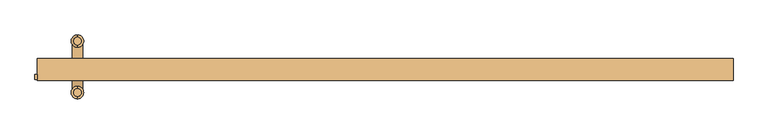
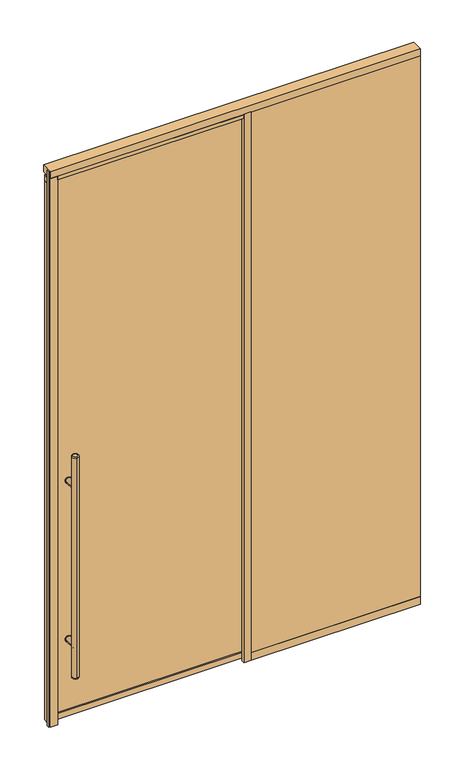
"""IFC4 building model written with IfcOpenShell, lengths in millimetres: door geometry."""

from ifc_helpers import new_model, si_unit, point, frame, frame_2d, origin, origin_with_axes, place, context, project, spatial, polyline, circle_curve, ellipse_curve, trimmed, segment, composite_curve, outline, extrude, source, transform, mapped, element, save
from ifc_brep_helpers import plane_surface, cylinder_surface, revolved_surface, advanced_brep


def door_ee4cfca6(model_context):
    return source(origin(), model_context, "Body", "SolidModel", [
        extrude(outline(composite_curve([segment(trimmed(circle_curve(frame_2d((428.625, -850.9)), 15.875), [point((428.625, -866.775))], [point((428.625, -835.025))], False, "CARTESIAN"), True, "CONTINUOUS"), segment(trimmed(circle_curve(frame_2d((428.625, -850.9)), 15.875), [point((428.625, -835.025))], [point((428.625, -866.775))], False, "CARTESIAN"), True, "CONTINUOUS")], self_intersect=False)), frame((0.0, 19.05, 0.0), z_axis=(0.0, 1.0, 0.0), x_axis=(0.0, 0.0, 1.0)), (0.0, 0.0, 1.0), 3.175),
        extrude(outline(composite_curve([segment(trimmed(circle_curve(frame_2d((1298.575, -850.9)), 15.875), [point((1298.575, -835.025))], [point((1298.575, -866.775))], False, "CARTESIAN"), True, "CONTINUOUS"), segment(trimmed(circle_curve(frame_2d((1298.575, -850.9)), 15.875), [point((1298.575, -866.775))], [point((1298.575, -835.025))], False, "CARTESIAN"), True, "CONTINUOUS")], self_intersect=False)), frame((0.0, 19.05, 0.0), z_axis=(0.0, 1.0, 0.0), x_axis=(0.0, 0.0, 1.0)), (0.0, 0.0, 1.0), 3.175),
        extrude(outline(composite_curve([segment(trimmed(circle_curve(frame_2d((428.625, -850.9)), 15.875), [point((428.625, -866.775))], [point((428.625, -835.025))], False, "CARTESIAN"), True, "CONTINUOUS"), segment(trimmed(circle_curve(frame_2d((428.625, -850.9)), 15.875), [point((428.625, -835.025))], [point((428.625, -866.775))], False, "CARTESIAN"), True, "CONTINUOUS")], self_intersect=False)), frame((0.0, 34.925, 0.0), z_axis=(0.0, 1.0, 0.0), x_axis=(0.0, 0.0, 1.0)), (0.0, 0.0, 1.0), 3.175),
        extrude(outline(composite_curve([segment(trimmed(circle_curve(frame_2d((1298.575, -850.9)), 15.875), [point((1298.575, -866.775))], [point((1298.575, -835.025))], False, "CARTESIAN"), True, "CONTINUOUS"), segment(trimmed(circle_curve(frame_2d((1298.575, -850.9)), 15.875), [point((1298.575, -835.025))], [point((1298.575, -866.775))], False, "CARTESIAN"), True, "CONTINUOUS")], self_intersect=False)), frame((0.0, 34.925, 0.0), z_axis=(0.0, 1.0, 0.0), x_axis=(0.0, 0.0, 1.0)), (0.0, 0.0, 1.0), 3.175),
        extrude(outline(composite_curve([segment(trimmed(circle_curve(frame_2d((428.625, -850.9)), 14.2875), [point((428.625, -836.6125))], [point((428.625, -865.1875))], False, "CARTESIAN"), True, "CONTINUOUS"), segment(trimmed(circle_curve(frame_2d((428.625, -850.9)), 14.2875), [point((428.625, -865.1875))], [point((428.625, -836.6125))], False, "CARTESIAN"), True, "CONTINUOUS")], self_intersect=False)), frame((0.0, 34.925, 0.0), z_axis=(0.0, 1.0, 0.0), x_axis=(0.0, 0.0, 1.0)), (0.0, 0.0, 1.0), 65.0875),
        extrude(outline(composite_curve([segment(trimmed(circle_curve(frame_2d((1298.575, -850.9)), 14.2875), [point((1298.575, -836.6125))], [point((1298.575, -865.1875))], False, "CARTESIAN"), True, "CONTINUOUS"), segment(trimmed(circle_curve(frame_2d((1298.575, -850.9)), 14.2875), [point((1298.575, -865.1875))], [point((1298.575, -836.6125))], False, "CARTESIAN"), True, "CONTINUOUS")], self_intersect=False)), frame((0.0, 34.925, 0.0), z_axis=(0.0, 1.0, 0.0), x_axis=(0.0, 0.0, 1.0)), (0.0, 0.0, 1.0), 65.0875),
        advanced_brep(
        [(-850.9, -32.0675, 1473.2), (-850.9, -53.6575, 1473.2), (-850.9, -53.6575, 254.0), (-850.9, -32.0675, 254.0), (-850.9, -60.0075, 260.35), (-850.9, -25.7175, 260.35), (-850.9, -25.7175, 1466.85), (-850.9, -60.0075, 1466.85)],
        [
            (0, 1, circle_curve(frame((-850.9, -42.8625, 1473.2), z_axis=(0.0, 0.0, 1.0), x_axis=(0.0, 1.0, 0.0)), 10.795)),
            (1, 0, circle_curve(frame((-850.9, -42.8625, 1473.2), z_axis=(0.0, 0.0, 1.0), x_axis=(0.0, 1.0, 0.0)), 10.795)),
            (2, 3, circle_curve(frame((-850.9, -42.8625, 254.0), z_axis=(0.0, 0.0, -1.0), x_axis=(0.0, 1.0, 0.0)), 10.795)),
            (3, 2, circle_curve(frame((-850.9, -42.8625, 254.0), z_axis=(0.0, 0.0, -1.0), x_axis=(0.0, 1.0, 0.0)), 10.795)),
            (4, 5, circle_curve(frame((-850.9, -42.8625, 260.35), z_axis=(0.0, 0.0, 1.0), x_axis=(0.0, 1.0, 0.0)), 17.145)),
            (5, 6),
            (6, 7, circle_curve(frame((-850.9, -42.8625, 1466.85), z_axis=(0.0, 0.0, -1.0), x_axis=(0.0, 1.0, 0.0)), 17.145)),
            (7, 4),
            (5, 4, circle_curve(frame((-850.9, -42.8625, 260.35), z_axis=(0.0, 0.0, 1.0), x_axis=(0.0, 1.0, 0.0)), 17.145)),
            (7, 6, circle_curve(frame((-850.9, -42.8625, 1466.85), z_axis=(0.0, 0.0, -1.0), x_axis=(0.0, 1.0, 0.0)), 17.145)),
            (2, 4, circle_curve(frame((-850.9, -53.6575, 260.35), z_axis=(-1.0, 0.0, 0.0), x_axis=(0.0, -1.0, 0.0)), 6.35)),
            (5, 3, circle_curve(frame((-850.9, -32.0675, 260.35), z_axis=(-1.0, 0.0, 0.0), x_axis=(0.0, 1.0, 0.0)), 6.35)),
            (7, 1, circle_curve(frame((-850.9, -53.6575, 1466.85), z_axis=(-1.0, 0.0, 0.0), x_axis=(0.0, -1.0, 0.0)), 6.35)),
            (0, 6, circle_curve(frame((-850.9, -32.0675, 1466.85), z_axis=(-1.0, 0.0, 0.0), x_axis=(0.0, 1.0, 0.0)), 6.35)),
        ],
        [
            plane_surface(frame((-850.9, 117.1575, 1473.2), z_axis=(0.0, 0.0, 1.0), x_axis=(-1.0, 0.0, 0.0))),
            plane_surface(frame((-850.9, 117.1575, 254.0), z_axis=(0.0, 0.0, -1.0), x_axis=(1.0, 0.0, 0.0))),
            cylinder_surface(frame((-850.9, -42.8625, 254.0), z_axis=(0.0, 0.0, 1.0), x_axis=(0.0, 1.0, 0.0)), 17.145),
            revolved_surface(trimmed(ellipse_curve(frame((-850.9, -32.0675, 260.35), z_axis=(1.0, 0.0, 0.0), x_axis=(0.0, 1.0, 0.0)), 6.35, 6.35), [point((-850.9, -32.0675, 254.0))], [point((-850.9, -25.7175, 260.35))], True, "CARTESIAN"), (-850.9, -42.8625, 2082.8), (0.0, 0.0, 1.0)),
            revolved_surface(trimmed(ellipse_curve(frame((-850.9, -32.0675, 1466.85), z_axis=(1.0, 0.0, 0.0), x_axis=(0.0, 1.0, 0.0)), 6.35, 6.35), [point((-850.9, -25.7175, 1466.85))], [point((-850.9, -32.0675, 1473.2))], True, "CARTESIAN"), (-850.9, -42.8625, -355.6), (0.0, 0.0, 1.0)),
        ],
        [
            (0, [[1, 2]]),
            (1, [[3, 4]]),
            (2, [[5, 6, 7, 8]]),
            (2, [[9, -8, 10, -6]]),
            (3, [[11, -9, 12, -3]]),
            (3, [[-11, -4, -12, -5]]),
            (4, [[13, -1, 14, -10]]),
            (4, [[-13, -7, -14, -2]]),
        ],
    ),
        advanced_brep(
        [(-850.9, 110.8075, 1473.2), (-850.9, 89.2175, 1473.2), (-850.9, 89.2175, 254.0), (-850.9, 110.8075, 254.0), (-850.9, 82.8675, 260.35), (-850.9, 117.1575, 260.35), (-850.9, 117.1575, 1466.85), (-850.9, 82.8675, 1466.85)],
        [
            (0, 1, circle_curve(frame((-850.9, 100.0125, 1473.2), z_axis=(0.0, 0.0, 1.0), x_axis=(0.0, -1.0, 0.0)), 10.795)),
            (1, 0, circle_curve(frame((-850.9, 100.0125, 1473.2), z_axis=(0.0, 0.0, 1.0), x_axis=(0.0, -1.0, 0.0)), 10.795)),
            (2, 3, circle_curve(frame((-850.9, 100.0125, 254.0), z_axis=(0.0, 0.0, -1.0), x_axis=(0.0, -1.0, 0.0)), 10.795)),
            (3, 2, circle_curve(frame((-850.9, 100.0125, 254.0), z_axis=(0.0, 0.0, -1.0), x_axis=(0.0, -1.0, 0.0)), 10.795)),
            (4, 5, circle_curve(frame((-850.9, 100.0125, 260.35), z_axis=(0.0, 0.0, 1.0), x_axis=(0.0, 1.0, 0.0)), 17.145)),
            (5, 6),
            (6, 7, circle_curve(frame((-850.9, 100.0125, 1466.85), z_axis=(0.0, 0.0, -1.0), x_axis=(0.0, 1.0, 0.0)), 17.145)),
            (7, 4),
            (5, 4, circle_curve(frame((-850.9, 100.0125, 260.35), z_axis=(0.0, 0.0, 1.0), x_axis=(0.0, 1.0, 0.0)), 17.145)),
            (7, 6, circle_curve(frame((-850.9, 100.0125, 1466.85), z_axis=(0.0, 0.0, -1.0), x_axis=(0.0, 1.0, 0.0)), 17.145)),
            (5, 3, circle_curve(frame((-850.9, 110.8075, 260.35), z_axis=(-1.0, 0.0, 0.0), x_axis=(0.0, 1.0, 0.0)), 6.35)),
            (2, 4, circle_curve(frame((-850.9, 89.2175, 260.35), z_axis=(-1.0, 0.0, 0.0), x_axis=(0.0, -1.0, 0.0)), 6.35)),
            (0, 6, circle_curve(frame((-850.9, 110.8075, 1466.85), z_axis=(-1.0, 0.0, 0.0), x_axis=(0.0, 1.0, 0.0)), 6.35)),
            (7, 1, circle_curve(frame((-850.9, 89.2175, 1466.85), z_axis=(-1.0, 0.0, 0.0), x_axis=(0.0, -1.0, 0.0)), 6.35)),
        ],
        [
            plane_surface(frame((-850.9, 117.1575, 1473.2), z_axis=(0.0, 0.0, 1.0), x_axis=(-1.0, 0.0, 0.0))),
            plane_surface(frame((-850.9, 117.1575, 254.0), z_axis=(0.0, 0.0, -1.0), x_axis=(1.0, 0.0, 0.0))),
            cylinder_surface(frame((-850.9, 100.0125, 254.0), z_axis=(0.0, 0.0, 1.0), x_axis=(0.0, 1.0, 0.0)), 17.145),
            revolved_surface(trimmed(ellipse_curve(frame((-850.9, 89.2175, 260.35), z_axis=(1.0, 0.0, 0.0), x_axis=(0.0, -1.0, 0.0)), 6.35, 6.35), [point((-850.9, 82.8675, 260.35))], [point((-850.9, 89.2175, 254.0))], True, "CARTESIAN"), (-850.9, 100.0125, 2082.8), (0.0, 0.0, -1.0)),
            revolved_surface(trimmed(ellipse_curve(frame((-850.9, 89.2175, 1466.85), z_axis=(1.0, 0.0, 0.0), x_axis=(0.0, -1.0, 0.0)), 6.35, 6.35), [point((-850.9, 89.2175, 1473.2))], [point((-850.9, 82.8675, 1466.85))], True, "CARTESIAN"), (-850.9, 100.0125, -355.6), (0.0, 0.0, -1.0)),
        ],
        [
            (0, [[1, 2]]),
            (1, [[3, 4]]),
            (2, [[5, 6, 7, 8]]),
            (2, [[9, -8, 10, -6]]),
            (3, [[11, -3, 12, -9]]),
            (3, [[-11, -5, -12, -4]]),
            (4, [[13, -10, 14, -1]]),
            (4, [[-13, -2, -14, -7]]),
        ],
    ),
        extrude(outline(composite_curve([segment(trimmed(circle_curve(frame_2d((428.625, -850.9)), 14.2875), [point((428.625, -836.6125))], [point((428.625, -865.1875))], False, "CARTESIAN"), True, "CONTINUOUS"), segment(trimmed(circle_curve(frame_2d((428.625, -850.9)), 14.2875), [point((428.625, -865.1875))], [point((428.625, -836.6125))], False, "CARTESIAN"), True, "CONTINUOUS")], self_intersect=False)), frame((0.0, -42.8625, 0.0), z_axis=(0.0, 1.0, 0.0), x_axis=(0.0, 0.0, 1.0)), (0.0, 0.0, 1.0), 65.0875),
        extrude(outline(composite_curve([segment(trimmed(circle_curve(frame_2d((1298.575, -850.9)), 14.2875), [point((1298.575, -836.6125))], [point((1298.575, -865.1875))], False, "CARTESIAN"), True, "CONTINUOUS"), segment(trimmed(circle_curve(frame_2d((1298.575, -850.9)), 14.2875), [point((1298.575, -865.1875))], [point((1298.575, -836.6125))], False, "CARTESIAN"), True, "CONTINUOUS")], self_intersect=False)), frame((0.0, -42.8625, 0.0), z_axis=(0.0, 1.0, 0.0), x_axis=(0.0, 0.0, 1.0)), (0.0, 0.0, 1.0), 65.0875),
        extrude(outline(polyline([(-962.025, 6.35), (-962.025, -6.35), (-968.375, -6.35), (-968.375, 6.35), (-962.025, 6.35)])), origin_with_axes(), (0.0, 0.0, 1.0), 3048.0),
        extrude(outline(polyline([(9.525, -962.025), (9.525, 82.5231001), (3000.375, 82.5231001), (3000.375, -962.025), (9.525, -962.025)]), holes=[polyline([(2968.625, -930.275), (2968.625, 50.7731001), (41.275, 50.7731001), (41.275, -930.275), (2968.625, -930.275)])]), frame((0.0, 15.875, 0.0), z_axis=(0.0, 1.0, 0.0), x_axis=(0.0, 0.0, 1.0)), (0.0, 0.0, 1.0), 25.4),
        extrude(outline(polyline([(82.5231001, 6.35), (962.025, 6.35), (962.025, -6.35), (82.5231001, -6.35), (82.5231001, 6.35)])), frame((0.0, 0.0, 41.275), z_axis=(0.0, 0.0, 1.0), x_axis=(1.0, 0.0, 0.0)), (0.0, 0.0, 1.0), 2968.625),
        extrude(outline(polyline([(82.5231001, 9.525), (82.5231001, -9.525), (44.4231001, -9.525), (44.4231001, 9.525), (82.5231001, 9.525)])), origin_with_axes(), (0.0, 0.0, 1.0), 3009.9),
        extrude(outline(polyline([(-923.925, 9.525), (-923.925, -9.525), (-962.025, -9.525), (-962.025, 9.525), (-923.925, 9.525)])), origin_with_axes(), (0.0, 0.0, 1.0), 3009.9),
        extrude(outline(polyline([(82.5231001, 34.925), (82.5231001, 22.225), (-962.025, 22.225), (-962.025, 34.925), (82.5231001, 34.925)])), frame((0.0, 0.0, 9.525), z_axis=(0.0, 0.0, 1.0), x_axis=(1.0, 0.0, 0.0)), (0.0, 0.0, 1.0), 2959.1),
        extrude(outline(polyline([(962.025, 9.525), (962.025, -9.525), (82.5231001, -9.525), (82.5231001, 9.525), (962.025, 9.525)])), origin_with_axes(), (0.0, 0.0, 1.0), 41.275),
        extrude(outline(polyline([(44.4231001, 12.7), (44.4231001, -9.525), (-923.925, -9.525), (-923.925, 12.7), (44.4231001, 12.7)])), frame((0.0, 0.0, 2989.2625), z_axis=(0.0, 0.0, 1.0), x_axis=(1.0, 0.0, 0.0)), (0.0, 0.0, 1.0), 19.05),
        extrude(outline(polyline([(962.025, 50.8), (962.025, -9.525), (-962.025, -9.525), (-962.025, 50.8), (962.025, 50.8)])), frame((0.0, 0.0, 3009.9), z_axis=(0.0, 0.0, 1.0), x_axis=(1.0, 0.0, 0.0)), (0.0, 0.0, 1.0), 38.1),
    ])


if __name__ == "__main__":
    model = new_model("IFC4")
    model_context = context("Model", 3, world=origin())
    ifc_project = project(units=[si_unit("LENGTHUNIT", "METRE", prefix="MILLI")], contexts=[model_context])
    site = spatial("IfcSite", under=ifc_project)
    building = spatial("IfcBuilding", under=site)
    placement = place(None, origin())
    door_shape = door_ee4cfca6(model_context)
    element("IfcDoor", 1, at=placement, inside=building, context=model_context, shape_type="MappedRepresentation", body=[
        mapped(door_shape, transform((0.0, 0.0, 0.0), x_axis=(1.0, 0.0, 0.0), y_axis=(0.0, 1.0, 0.0), z_axis=(0.0, 0.0, 1.0))),
    ])
    save(model, "model.ifc")
